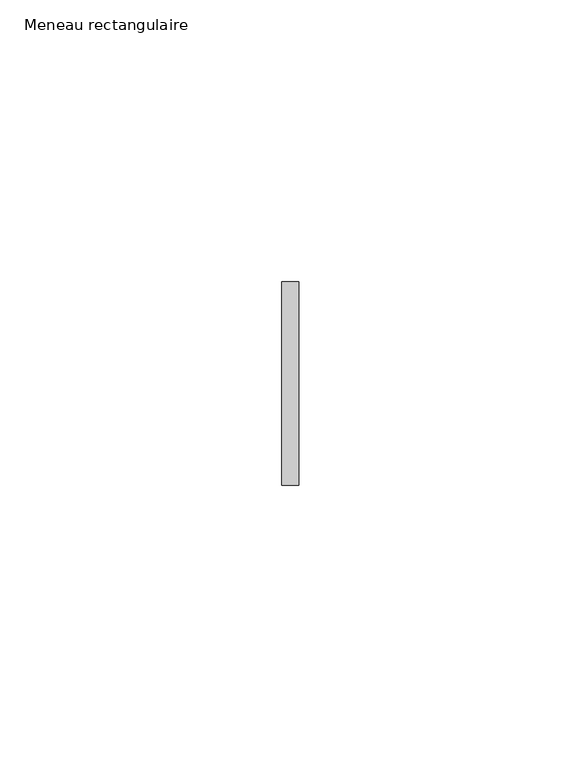
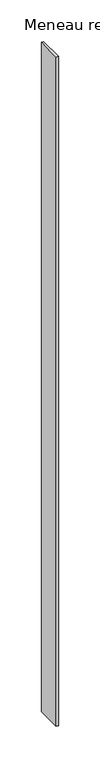
"""IFC4 building model written with IfcOpenShell, lengths in millimetres: member geometry, Meneau rectangulaire."""

from ifc_helpers import new_model, si_unit, frame, origin, place, context, project, spatial, polyline, outline, extrude, source, transform, mapped, element, save


def meneau_rectangulaire_cb18d668(model_context):
    return source(origin(), model_context, "Body", "SweptSolid", [
        extrude(outline(polyline([(-1.5, 18.0), (1.5, 18.0), (1.5, -18.0), (-1.5, -18.0), (-1.5, 18.0)])), frame((0.0, 0.0, -983.5), z_axis=(0.0, 0.0, 1.0), x_axis=(1.0, 0.0, 0.0)), (0.0, 0.0, 1.0), 983.5),
    ])


if __name__ == "__main__":
    model = new_model("IFC4")
    model_context = context("Model", 3, world=origin())
    ifc_project = project(units=[si_unit("LENGTHUNIT", "METRE", prefix="MILLI")], contexts=[model_context])
    site = spatial("IfcSite", under=ifc_project)
    building = spatial("IfcBuilding", under=site)
    placement = place(None, origin())
    meneau_rectangulaire_shape = meneau_rectangulaire_cb18d668(model_context)
    element("IfcMember", 1, ObjectType="Meneau rectangulaire", at=placement, inside=building, context=model_context, shape_type="MappedRepresentation", body=[
        mapped(meneau_rectangulaire_shape, transform((0.0, 0.0, 0.0), x_axis=(1.0, 0.0, 0.0), y_axis=(0.0, 1.0, 0.0), z_axis=(0.0, 0.0, 1.0))),
    ])
    save(model, "model.ifc")
